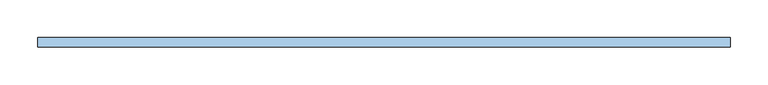
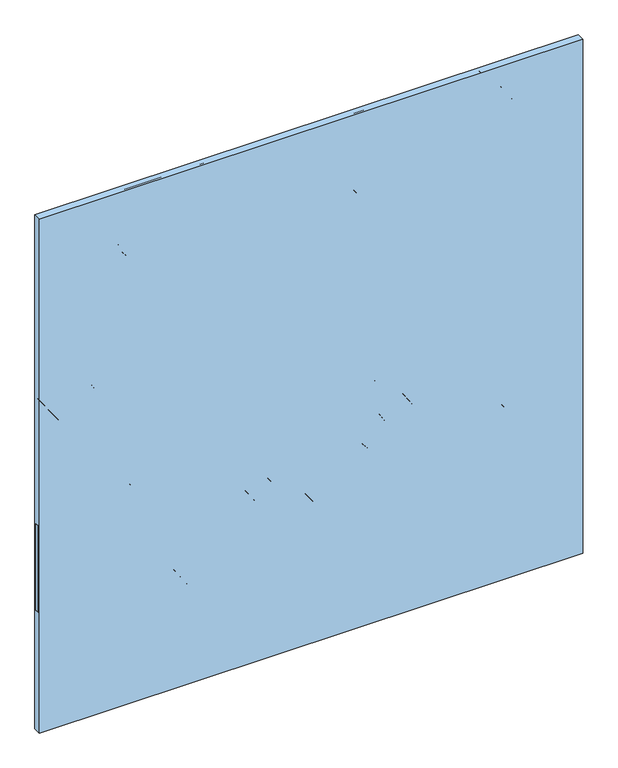
"""IFC4 building model written with IfcOpenShell, lengths in millimetres: window geometry."""

from ifc_helpers import new_model, si_unit, point, frame, frame_2d, origin, place, context, project, spatial, polyline, circle_curve, trimmed, segment, composite_curve, outline, extrude, source, transform, mapped, element, save


def window_6d9c36dc(model_context):
    return source(origin(), model_context, "Body", "SweptSolid", [
        extrude(outline(composite_curve([segment(trimmed(circle_curve(frame_2d((1484.8832078, 363.7433192)), 263.7462614), [point((1238.25, 457.2))], [point((1224.7588268, 320.1842008))], True, "CARTESIAN"), True, "CONTINUOUS"), segment(trimmed(circle_curve(frame_2d((1211.915632, 314.465595)), 14.0588088), [point((1224.7588268, 320.1842008))], [point((1210.4464925, 328.4474309))], True, "CARTESIAN"), True, "CONTINUOUS"), segment(trimmed(circle_curve(frame_2d((1201.9986616, 285.3249368)), 43.9421818), [point((1210.4464925, 328.4474309))], [point((1171.5497284, 317.0073894))], True, "CARTESIAN"), True, "CONTINUOUS"), segment(trimmed(circle_curve(frame_2d((1086.790703, 405.2000952)), 122.3194413), [point((1171.5497284, 317.0073894))], [point((1153.2818138, 302.5308305))], False, "CARTESIAN"), True, "CONTINUOUS"), segment(trimmed(circle_curve(frame_2d((1143.1804408, 143.4346406)), 159.4165468), [point((1153.2818138, 302.5308305))], [point((1133.0790678, 302.5308305))], True, "CARTESIAN"), True, "CONTINUOUS"), segment(trimmed(circle_curve(frame_2d((1138.2603741, 220.9254794)), 81.769672), [point((1133.0790678, 302.5308305))], [point((1078.4356251, 276.6684491))], True, "CARTESIAN"), True, "CONTINUOUS"), segment(trimmed(circle_curve(frame_2d((1190.3884903, 172.3540094)), 153.0194313), [point((1078.4356251, 276.6684491))], [point((1054.0748461, 241.8776511))], True, "CARTESIAN"), True, "CONTINUOUS"), segment(trimmed(circle_curve(frame_2d((993.7187033, 272.6609148)), 67.7530316), [point((1054.0748461, 241.8776511))], [point((1043.8427002, 227.0751908))], False, "CARTESIAN"), True, "CONTINUOUS"), segment(trimmed(circle_curve(frame_2d((1089.1365017, 185.8823319)), 61.2240155), [point((1043.8427002, 227.0751908))], [point((1027.9132449, 185.5775409))], True, "CARTESIAN"), True, "CONTINUOUS"), segment(trimmed(circle_curve(frame_2d((1217.2221282, 186.5199876)), 189.3112292), [point((1027.9132449, 185.5775409))], [point((1038.89534, 122.9723824))], True, "CARTESIAN"), True, "CONTINUOUS"), segment(trimmed(circle_curve(frame_2d((1124.9346843, 125.7111518)), 86.082923), [point((1038.89534, 122.9723824))], [point((1052.2830923, 79.5373951))], True, "CARTESIAN"), True, "CONTINUOUS"), segment(trimmed(circle_curve(frame_2d((989.9463817, -11.5882161)), 110.4071669), [point((1052.2830923, 79.5373951))], [point((1078.3057836, 54.6111692))], False, "CARTESIAN"), True, "CONTINUOUS"), segment(trimmed(circle_curve(frame_2d((1085.5048333, -0.4131091)), 55.4932204), [point((1078.3057836, 54.6111692))], [point((1044.2177019, 36.6661344))], True, "CARTESIAN"), True, "CONTINUOUS"), segment(trimmed(circle_curve(frame_2d((1066.354882, -34.7968136)), 74.8131518), [point((1044.2177019, 36.6661344))], [point((1095.6472928, 34.043308))], False, "CARTESIAN"), True, "CONTINUOUS"), segment(trimmed(circle_curve(frame_2d((1042.6205841, 86.3712095)), 74.4985981), [point((1095.6472928, 34.043308))], [point((1043.4266793, 11.8769727))], False, "CARTESIAN"), True, "CONTINUOUS"), segment(trimmed(circle_curve(frame_2d((1062.589159, 98.3925028)), 88.6122879), [point((1043.4266793, 11.8769727))], [point((1091.7414894, 14.7128804))], True, "CARTESIAN"), True, "CONTINUOUS"), segment(trimmed(circle_curve(frame_2d((1027.3273754, 50.0110443)), 73.4516063), [point((1091.7414894, 14.7128804))], [point((1052.1729973, -19.1108302))], False, "CARTESIAN"), True, "CONTINUOUS"), segment(trimmed(circle_curve(frame_2d((1061.6951975, 24.0872485)), 44.2351251), [point((1052.1729973, -19.1108302))], [point((1089.8648963, -10.0186801))], True, "CARTESIAN"), True, "CONTINUOUS"), segment(trimmed(circle_curve(frame_2d((1034.5514069, 11.2908127)), 59.2762735), [point((1089.8648963, -10.0186801))], [point((1069.0976688, -36.8779779))], False, "CARTESIAN"), True, "CONTINUOUS"), segment(trimmed(circle_curve(frame_2d((1069.0976688, 0.0)), 36.8779779), [point((1069.0976688, -36.8779779))], [point((1095.1743371, -26.0766682))], True, "CARTESIAN"), True, "CONTINUOUS"), segment(trimmed(circle_curve(frame_2d((921.7101496, -24.0268789)), 173.476298), [point((1095.1743371, -26.0766682))], [point((1032.8672873, -157.2114002))], False, "CARTESIAN"), True, "CONTINUOUS"), segment(trimmed(circle_curve(frame_2d((1803.7008455, 546.8948017)), 1044.0066657), [point((1032.8672873, -157.2114002))], [point((914.4, 0.0))], False, "CARTESIAN"), True, "CONTINUOUS"), segment(polyline([(914.4, 0.0), (914.4, 457.2), (1238.25, 457.2)]), True, "CONTINUOUS")], self_intersect=False)), frame((0.0, -3.175, 0.0), z_axis=(0.0, 1.0, 0.0), x_axis=(0.0, 0.0, 1.0)), (0.0, 0.0, 1.0), 6.35),
        extrude(outline(composite_curve([segment(trimmed(circle_curve(frame_2d((454.3259512, -616.3545319)), 691.6622575), [point((1127.428108, -457.2))], [point((1049.07315, -263.2646737))], True, "CARTESIAN"), True, "CONTINUOUS"), segment(trimmed(circle_curve(frame_2d((1329.2202764, 72.1840348)), 437.0449044), [point((1049.07315, -263.2646737))], [point((1198.3422953, -344.8042174))], True, "CARTESIAN"), True, "CONTINUOUS"), segment(trimmed(circle_curve(frame_2d((1323.3014016, -285.1666907)), 138.4608712), [point((1198.3422953, -344.8042174))], [point((1228.8853489, -386.4436468))], True, "CARTESIAN"), True, "CONTINUOUS"), segment(trimmed(circle_curve(frame_2d((1157.3988234, -463.1248627)), 104.8347852), [point((1228.8853489, -386.4436468))], [point((1253.9705646, -422.3298752))], False, "CARTESIAN"), True, "CONTINUOUS"), segment(trimmed(circle_curve(frame_2d((1301.7129506, -402.1619666)), 51.8274055), [point((1253.9705646, -422.3298752))], [point((1277.709756, -448.0959041))], True, "CARTESIAN"), True, "CONTINUOUS"), segment(trimmed(circle_curve(frame_2d((1243.4546081, -465.9476844)), 38.627726), [point((1277.709756, -448.0959041))], [point((1281.0787923, -457.2))], False, "CARTESIAN"), True, "CONTINUOUS"), segment(polyline([(1281.0787923, -457.2), (1127.428108, -457.2)]), True, "CONTINUOUS")], self_intersect=False)), frame((0.0, -3.175, 0.0), z_axis=(0.0, 1.0, 0.0), x_axis=(0.0, 0.0, 1.0)), (0.0, 0.0, 1.0), 6.35),
        extrude(outline(composite_curve([segment(trimmed(circle_curve(frame_2d((1281.9382425, -439.3744842)), 74.9418646), [point((1288.5558303, -364.7253677))], [point((1228.8853489, -386.4436468))], True, "CARTESIAN"), True, "CONTINUOUS"), segment(trimmed(circle_curve(frame_2d((1301.7321478, -300.988014)), 112.2912343), [point((1228.8853489, -386.4436468))], [point((1192.6874968, -327.794457))], False, "CARTESIAN"), True, "CONTINUOUS"), segment(trimmed(circle_curve(frame_2d((1241.9195353, -191.0845482)), 145.304483), [point((1192.6874968, -327.794457))], [point((1264.0203098, -334.6984352))], True, "CARTESIAN"), True, "CONTINUOUS"), segment(trimmed(circle_curve(frame_2d((1290.5013363, -300.1993924)), 43.4905589), [point((1264.0203098, -334.6984352))], [point((1283.0049399, -343.0390091))], True, "CARTESIAN"), True, "CONTINUOUS"), segment(trimmed(circle_curve(frame_2d((1661.5485833, -257.6996926)), 388.0439265), [point((1283.0049399, -343.0390091))], [point((1288.5558303, -364.7253677))], True, "CARTESIAN"), True, "CONTINUOUS")], self_intersect=False)), frame((0.0, -3.175, 0.0), z_axis=(0.0, 1.0, 0.0), x_axis=(0.0, 0.0, 1.0)), (0.0, 0.0, 1.0), 6.35),
        extrude(outline(composite_curve([segment(trimmed(circle_curve(frame_2d((1252.2010078, -288.8483467)), 72.5739322), [point((1190.4427096, -326.9651178))], [point((1179.627611, -289.1271317))], False, "CARTESIAN"), True, "CONTINUOUS"), segment(trimmed(circle_curve(frame_2d((1270.1294103, -70.5090154)), 236.6103473), [point((1179.627611, -289.1271317))], [point((1247.0392796, -305.9900174))], True, "CARTESIAN"), True, "CONTINUOUS"), segment(trimmed(circle_curve(frame_2d((1291.7450325, -298.9229117)), 45.2608919), [point((1247.0392796, -305.9900174))], [point((1264.0203098, -334.6984352))], True, "CARTESIAN"), True, "CONTINUOUS"), segment(trimmed(circle_curve(frame_2d((1241.9195353, -191.0845482)), 145.304483), [point((1264.0203098, -334.6984352))], [point((1190.4427096, -326.9651178))], False, "CARTESIAN"), True, "CONTINUOUS")], self_intersect=False)), frame((0.0, -3.175, 0.0), z_axis=(0.0, 1.0, 0.0), x_axis=(0.0, 0.0, 1.0)), (0.0, 0.0, 1.0), 6.35),
        extrude(outline(composite_curve([segment(trimmed(circle_curve(frame_2d((1115.6860052, -278.5483296)), 64.8108017), [point((1179.627611, -289.1271317))], [point((1179.627611, -267.9695275))], True, "CARTESIAN"), True, "CONTINUOUS"), segment(trimmed(circle_curve(frame_2d((1124.3036551, -692.5716903)), 428.1912386), [point((1179.627611, -267.9695275))], [point((1245.2954747, -281.8300241))], False, "CARTESIAN"), True, "CONTINUOUS"), segment(trimmed(circle_curve(frame_2d((1189.99928, -296.059405)), 57.0976745), [point((1245.2954747, -281.8300241))], [point((1247.0392796, -298.6251174))], False, "CARTESIAN"), True, "CONTINUOUS"), segment(trimmed(circle_curve(frame_2d((1328.9061919, -302.3075674)), 81.9496905), [point((1247.0392796, -298.6251174))], [point((1247.0392796, -305.9900174))], True, "CARTESIAN"), True, "CONTINUOUS"), segment(trimmed(circle_curve(frame_2d((1270.1294103, -70.5090154)), 236.6103473), [point((1247.0392796, -305.9900174))], [point((1179.627611, -289.1271317))], False, "CARTESIAN"), True, "CONTINUOUS")], self_intersect=False)), frame((0.0, -3.175, 0.0), z_axis=(0.0, 1.0, 0.0), x_axis=(0.0, 0.0, 1.0)), (0.0, 0.0, 1.0), 6.35),
        extrude(outline(composite_curve([segment(trimmed(circle_curve(frame_2d((1329.648799, -224.5536484)), 155.3136004), [point((1180.562611, -268.0924015))], [point((1174.3545231, -222.1036757))], False, "CARTESIAN"), True, "CONTINUOUS"), segment(trimmed(circle_curve(frame_2d((1220.0844477, -159.403544)), 77.6049773), [point((1174.3545231, -222.1036757))], [point((1222.9348047, -236.9561583))], True, "CARTESIAN"), True, "CONTINUOUS"), segment(trimmed(circle_curve(frame_2d((1408.0905433, -158.7796802)), 200.9831069), [point((1222.9348047, -236.9561583))], [point((1229.1880721, -250.3663334))], True, "CARTESIAN"), True, "CONTINUOUS"), segment(trimmed(circle_curve(frame_2d((1183.3626233, -293.6808666)), 63.0564869), [point((1229.1880721, -250.3663334))], [point((1245.2954747, -281.8300241))], False, "CARTESIAN"), True, "CONTINUOUS"), segment(trimmed(circle_curve(frame_2d((1124.3036551, -692.5716903)), 428.1912386), [point((1245.2954747, -281.8300241))], [point((1180.562611, -268.0924015))], True, "CARTESIAN"), True, "CONTINUOUS")], self_intersect=False)), frame((0.0, -3.175, 0.0), z_axis=(0.0, 1.0, 0.0), x_axis=(0.0, 0.0, 1.0)), (0.0, 0.0, 1.0), 6.35),
        extrude(outline(composite_curve([segment(trimmed(circle_curve(frame_2d((1322.9249915, -225.1533598)), 148.6017653), [point((1174.3545231, -222.1036757))], [point((1180.0979299, -184.1300113))], False, "CARTESIAN"), True, "CONTINUOUS"), segment(trimmed(circle_curve(frame_2d((1239.2112451, -80.7949435)), 119.0483946), [point((1180.0979299, -184.1300113))], [point((1217.4660636, -197.8405216))], True, "CARTESIAN"), True, "CONTINUOUS"), segment(trimmed(circle_curve(frame_2d((1306.0643448, -205.3937417)), 88.9196635), [point((1217.4660636, -197.8405216))], [point((1222.9348047, -236.9561583))], True, "CARTESIAN"), True, "CONTINUOUS"), segment(trimmed(circle_curve(frame_2d((1220.0844477, -159.403544)), 77.6049773), [point((1222.9348047, -236.9561583))], [point((1174.3545231, -222.1036757))], False, "CARTESIAN"), True, "CONTINUOUS")], self_intersect=False)), frame((0.0, -3.175, 0.0), z_axis=(0.0, 1.0, 0.0), x_axis=(0.0, 0.0, 1.0)), (0.0, 0.0, 1.0), 6.35),
        extrude(outline(composite_curve([segment(trimmed(circle_curve(frame_2d((1306.0643448, -205.3937417)), 88.9196635), [point((1228.0858671, -162.6612766))], [point((1217.4660636, -197.8405216))], True, "CARTESIAN"), True, "CONTINUOUS"), segment(trimmed(circle_curve(frame_2d((1236.5935678, -92.2993358)), 107.2604462), [point((1217.4660636, -197.8405216))], [point((1180.1872359, -183.5305204))], False, "CARTESIAN"), True, "CONTINUOUS"), segment(trimmed(circle_curve(frame_2d((1045.5562641, -163.7809739)), 136.0718309), [point((1180.1872359, -183.5305204))], [point((1178.2226654, -133.5292114))], True, "CARTESIAN"), True, "CONTINUOUS"), segment(trimmed(circle_curve(frame_2d((1224.4368781, -77.8984148)), 72.3224653), [point((1178.2226654, -133.5292114))], [point((1228.0858671, -150.1287676))], True, "CARTESIAN"), True, "CONTINUOUS"), segment(trimmed(circle_curve(frame_2d((1445.2502557, -156.3950221)), 217.2547759), [point((1228.0858671, -150.1287676))], [point((1228.0858671, -162.6612766))], True, "CARTESIAN"), True, "CONTINUOUS")], self_intersect=False)), frame((0.0, -3.175, 0.0), z_axis=(0.0, 1.0, 0.0), x_axis=(0.0, 0.0, 1.0)), (0.0, 0.0, 1.0), 6.35),
        extrude(outline(composite_curve([segment(trimmed(circle_curve(frame_2d((1302.0645014, -94.5231621)), 129.8394095), [point((1178.2226654, -133.5292114))], [point((1174.8561905, -68.5170499))], False, "CARTESIAN"), True, "CONTINUOUS"), segment(trimmed(circle_curve(frame_2d((1310.4150309, 38.984855)), 173.0111521), [point((1174.8561905, -68.5170499))], [point((1228.0858671, -113.1820519))], True, "CARTESIAN"), True, "CONTINUOUS"), segment(trimmed(circle_curve(frame_2d((1142.4471588, -131.6554098)), 87.608523), [point((1228.0858671, -113.1820519))], [point((1228.0858671, -150.1287676))], False, "CARTESIAN"), True, "CONTINUOUS"), segment(trimmed(circle_curve(frame_2d((1224.4368781, -77.8984148)), 72.3224653), [point((1228.0858671, -150.1287676))], [point((1178.2226654, -133.5292114))], False, "CARTESIAN"), True, "CONTINUOUS")], self_intersect=False)), frame((0.0, -3.175, 0.0), z_axis=(0.0, 1.0, 0.0), x_axis=(0.0, 0.0, 1.0)), (0.0, 0.0, 1.0), 6.35),
        extrude(outline(composite_curve([segment(trimmed(circle_curve(frame_2d((1378.1236893, -89.3769254)), 204.3350447), [point((1174.8561905, -68.5170499))], [point((1186.283704, -19.0190506))], False, "CARTESIAN"), True, "CONTINUOUS"), segment(trimmed(circle_curve(frame_2d((1278.7930398, 15.1186203)), 98.6070878), [point((1186.283704, -19.0190506))], [point((1232.774937, -72.0919983))], True, "CARTESIAN"), True, "CONTINUOUS"), segment(trimmed(circle_curve(frame_2d((1281.8271066, -98.5022582)), 55.7101174), [point((1232.774937, -72.0919983))], [point((1228.0858671, -113.1820519))], True, "CARTESIAN"), True, "CONTINUOUS"), segment(trimmed(circle_curve(frame_2d((1310.4150309, 38.984855)), 173.0111521), [point((1228.0858671, -113.1820519))], [point((1174.8561905, -68.5170499))], False, "CARTESIAN"), True, "CONTINUOUS")], self_intersect=False)), frame((0.0, -3.175, 0.0), z_axis=(0.0, 1.0, 0.0), x_axis=(0.0, 0.0, 1.0)), (0.0, 0.0, 1.0), 6.35),
        extrude(outline(composite_curve([segment(trimmed(circle_curve(frame_2d((1354.1557862, 256.0910828)), 113.7533084), [point((1240.471658, 252.1244517))], [point((1278.0424214, 171.5536895))], True, "CARTESIAN"), True, "CONTINUOUS"), segment(trimmed(circle_curve(frame_2d((1186.8292865, -803.6122356)), 979.4224918), [point((1278.0424214, 171.5536895))], [point((1207.655697, 175.5888051))], True, "CARTESIAN"), True, "CONTINUOUS"), segment(trimmed(circle_curve(frame_2d((1289.4326113, 268.7018377)), 123.925383), [point((1207.655697, 175.5888051))], [point((1169.8945322, 236.0193009))], False, "CARTESIAN"), True, "CONTINUOUS"), segment(trimmed(circle_curve(frame_2d((2664.73737, 644.7196612)), 1549.7067768), [point((1169.8945322, 236.0193009))], [point((1152.9962878, 303.7944574))], False, "CARTESIAN"), True, "CONTINUOUS"), segment(trimmed(circle_curve(frame_2d((1110.2763048, 385.2359952)), 91.9658688), [point((1152.9962878, 303.7944574))], [point((1173.6447185, 318.5864252))], True, "CARTESIAN"), True, "CONTINUOUS"), segment(trimmed(circle_curve(frame_2d((1205.1513469, 274.6056351)), 54.1015484), [point((1173.6447185, 318.5864252))], [point((1210.4464925, 328.4474309))], False, "CARTESIAN"), True, "CONTINUOUS"), segment(trimmed(circle_curve(frame_2d((1211.915632, 314.465595)), 14.0588088), [point((1210.4464925, 328.4474309))], [point((1224.7588268, 320.1842008))], False, "CARTESIAN"), True, "CONTINUOUS"), segment(trimmed(circle_curve(frame_2d((1057.5738599, 245.7428389)), 183.0090969), [point((1224.7588268, 320.1842008))], [point((1240.471658, 252.1244517))], False, "CARTESIAN"), True, "CONTINUOUS")], self_intersect=False)), frame((0.0, -3.175, 0.0), z_axis=(0.0, 1.0, 0.0), x_axis=(0.0, 0.0, 1.0)), (0.0, 0.0, 1.0), 6.35),
        extrude(outline(composite_curve([segment(trimmed(circle_curve(frame_2d((1290.5013363, -300.1993924)), 43.4905589), [point((1283.0049399, -343.0390091))], [point((1247.0392796, -298.6251174))], False, "CARTESIAN"), True, "CONTINUOUS"), segment(trimmed(circle_curve(frame_2d((1179.4964215, -296.1785918)), 67.5871523), [point((1247.0392796, -298.6251174))], [point((1229.6646563, -250.8887322))], True, "CARTESIAN"), True, "CONTINUOUS"), segment(trimmed(circle_curve(frame_2d((1306.0643448, -205.3937417)), 88.9196635), [point((1229.6646563, -250.8887322))], [point((1227.1540258, -164.4075474))], False, "CARTESIAN"), True, "CONTINUOUS"), segment(trimmed(circle_curve(frame_2d((1362.8998983, -143.6697877)), 137.3207798), [point((1227.1540258, -164.4075474))], [point((1240.8898312, -206.6820096))], True, "CARTESIAN"), True, "CONTINUOUS"), segment(trimmed(circle_curve(frame_2d((1287.9058125, -182.4005588)), 52.9158894), [point((1240.8898312, -206.6820096))], [point((1283.0049399, -235.0890091))], True, "CARTESIAN"), True, "CONTINUOUS"), segment(trimmed(circle_curve(frame_2d((1493.8758299, -289.0640091)), 217.6690903), [point((1283.0049399, -235.0890091))], [point((1283.0049399, -343.0390091))], True, "CARTESIAN"), True, "CONTINUOUS")], self_intersect=False)), frame((0.0, -3.175, 0.0), z_axis=(0.0, 1.0, 0.0), x_axis=(0.0, 0.0, 1.0)), (0.0, 0.0, 1.0), 6.35),
        extrude(outline(composite_curve([segment(trimmed(circle_curve(frame_2d((1151.8107712, -31.740206)), 36.7452159), [point((1186.283704, -19.0190506))], [point((1170.3248257, 0.0))], True, "CARTESIAN"), True, "CONTINUOUS"), segment(trimmed(circle_curve(frame_2d((1191.0128208, 35.4671761)), 41.0598798), [point((1170.3248257, 0.0))], [point((1151.2171987, 25.3566774))], False, "CARTESIAN"), True, "CONTINUOUS"), segment(trimmed(circle_curve(frame_2d((1085.4297476, 19.8174723)), 66.0202356), [point((1151.2171987, 25.3566774))], [point((1124.9892977, 72.6730634))], True, "CARTESIAN"), True, "CONTINUOUS"), segment(trimmed(circle_curve(frame_2d((1135.158691, 86.2604095)), 16.9715213), [point((1124.9892977, 72.6730634))], [point((1118.320518, 88.3837238))], False, "CARTESIAN"), True, "CONTINUOUS"), segment(trimmed(circle_curve(frame_2d((1048.4084483, 111.072559)), 73.5015696), [point((1118.320518, 88.3837238))], [point((1121.674188, 116.9557655))], True, "CARTESIAN"), True, "CONTINUOUS"), segment(trimmed(circle_curve(frame_2d((1142.3473484, -1594.3897088)), 1711.4703363), [point((1121.674188, 116.9557655))], [point((1163.0205089, 116.9557655))], False, "CARTESIAN"), True, "CONTINUOUS"), segment(trimmed(circle_curve(frame_2d((1161.372199, -19.493018)), 136.458739), [point((1163.0205089, 116.9557655))], [point((1215.6096154, 105.7239542))], False, "CARTESIAN"), True, "CONTINUOUS"), segment(trimmed(circle_curve(frame_2d((1113.3199647, -37.646668)), 176.120152), [point((1215.6096154, 105.7239542))], [point((1266.5973676, 49.0963185))], False, "CARTESIAN"), True, "CONTINUOUS"), segment(trimmed(circle_curve(frame_2d((1279.3318564, -5.071811)), 55.6448871), [point((1266.5973676, 49.0963185))], [point((1224.4073647, 3.8530794))], True, "CARTESIAN"), True, "CONTINUOUS"), segment(trimmed(circle_curve(frame_2d((1329.1998278, -13.1750482)), 106.166932), [point((1224.4073647, 3.8530794))], [point((1244.6553688, -77.3907154))], True, "CARTESIAN"), True, "CONTINUOUS"), segment(trimmed(circle_curve(frame_2d((1278.7930398, 15.1186203)), 98.6070878), [point((1244.6553688, -77.3907154))], [point((1186.283704, -19.0190506))], False, "CARTESIAN"), True, "CONTINUOUS")], self_intersect=False)), frame((0.0, -3.175, 0.0), z_axis=(0.0, 1.0, 0.0), x_axis=(0.0, 0.0, 1.0)), (0.0, 0.0, 1.0), 6.35),
        extrude(outline(composite_curve([segment(trimmed(circle_curve(frame_2d((1161.113737, -20.7031779)), 137.6721485), [point((1215.6096154, 105.7239542))], [point((1162.751822, 116.959225))], True, "CARTESIAN"), True, "CONTINUOUS"), segment(trimmed(circle_curve(frame_2d((1142.3573464, -1596.9643097)), 1714.0448703), [point((1162.751822, 116.959225))], [point((1121.9628707, 116.959225))], True, "CARTESIAN"), True, "CONTINUOUS"), segment(trimmed(circle_curve(frame_2d((1162.122996, 140.6737385)), 46.6391875), [point((1121.9628707, 116.959225))], [point((1116.2042341, 148.8395894))], False, "CARTESIAN"), True, "CONTINUOUS"), segment(trimmed(circle_curve(frame_2d((1123.8617034, 148.8395894)), 7.6574694), [point((1116.2042341, 148.8395894))], [point((1123.8617034, 141.18212))], True, "CARTESIAN"), True, "CONTINUOUS"), segment(trimmed(circle_curve(frame_2d((1175.4963224, -78.8616153)), 226.0207498), [point((1123.8617034, 141.18212))], [point((1179.042079, 147.1313203))], False, "CARTESIAN"), True, "CONTINUOUS"), segment(trimmed(circle_curve(frame_2d((1186.4464858, -6.548697)), 153.8582886), [point((1179.042079, 147.1313203))], [point((1278.5217924, 116.7173197))], False, "CARTESIAN"), True, "CONTINUOUS"), segment(trimmed(circle_curve(frame_2d((1199.611927, 11.076566)), 131.8587718), [point((1278.5217924, 116.7173197))], [point((1325.8705272, 49.0963185))], False, "CARTESIAN"), True, "CONTINUOUS"), segment(trimmed(circle_curve(frame_2d((1296.2339474, -76.9674852)), 129.5006156), [point((1325.8705272, 49.0963185))], [point((1266.5973676, 49.0963185))], True, "CARTESIAN"), True, "CONTINUOUS"), segment(trimmed(circle_curve(frame_2d((1113.3199647, -37.646668)), 176.120152), [point((1266.5973676, 49.0963185))], [point((1215.6096154, 105.7239542))], True, "CARTESIAN"), True, "CONTINUOUS")], self_intersect=False)), frame((0.0, -3.175, 0.0), z_axis=(0.0, 1.0, 0.0), x_axis=(0.0, 0.0, 1.0)), (0.0, 0.0, 1.0), 6.35),
        extrude(outline(composite_curve([segment(trimmed(circle_curve(frame_2d((1375.9161461, 155.9586632)), 59.2464278), [point((1319.4499121, 138.0225646))], [point((1332.1499121, 116.0255194))], True, "CARTESIAN"), True, "CONTINUOUS"), segment(trimmed(circle_curve(frame_2d((1282.1206967, 32.2372319)), 97.5879066), [point((1332.1499121, 116.0255194))], [point((1361.8994321, 88.4400156))], False, "CARTESIAN"), True, "CONTINUOUS"), segment(trimmed(circle_curve(frame_2d((1250.3943743, 23.7046094)), 128.9342884), [point((1361.8994321, 88.4400156))], [point((1378.6068162, 10.0803491))], False, "CARTESIAN"), True, "CONTINUOUS"), segment(trimmed(circle_curve(frame_2d((1335.0454518, 0.7924529)), 44.5405151), [point((1378.6068162, 10.0803491))], [point((1364.3694665, 34.3179603))], True, "CARTESIAN"), True, "CONTINUOUS"), segment(trimmed(circle_curve(frame_2d((1287.3953328, -108.6707519)), 162.3908528), [point((1364.3694665, 34.3179603))], [point((1325.8705272, 49.0963185))], True, "CARTESIAN"), True, "CONTINUOUS"), segment(trimmed(circle_curve(frame_2d((1199.611927, 11.076566)), 131.8587718), [point((1325.8705272, 49.0963185))], [point((1278.5217924, 116.7173197))], True, "CARTESIAN"), True, "CONTINUOUS"), segment(trimmed(circle_curve(frame_2d((1186.4464858, -6.548697)), 153.8582886), [point((1278.5217924, 116.7173197))], [point((1179.042079, 147.1313203))], True, "CARTESIAN"), True, "CONTINUOUS"), segment(trimmed(circle_curve(frame_2d((1175.4963224, -78.8616153)), 226.0207498), [point((1179.042079, 147.1313203))], [point((1125.0414759, 141.4556282))], True, "CARTESIAN"), True, "CONTINUOUS"), segment(trimmed(circle_curve(frame_2d((1125.0414759, 150.4358843)), 8.9802561), [point((1125.0414759, 141.4556282))], [point((1116.0612197, 150.4358843))], False, "CARTESIAN"), True, "CONTINUOUS"), segment(trimmed(circle_curve(frame_2d((1140.525829, 145.1684371)), 25.0252494), [point((1116.0612197, 150.4358843))], [point((1128.7190736, 167.2334237))], False, "CARTESIAN"), True, "CONTINUOUS"), segment(trimmed(circle_curve(frame_2d((1195.0456592, -86.3758635)), 262.1390595), [point((1128.7190736, 167.2334237))], [point((1198.0484222, 175.7459973))], False, "CARTESIAN"), True, "CONTINUOUS"), segment(trimmed(circle_curve(frame_2d((1186.8292865, -803.6122356)), 979.4224918), [point((1198.0484222, 175.7459973))], [point((1278.0424214, 171.5536895))], False, "CARTESIAN"), True, "CONTINUOUS"), segment(trimmed(circle_curve(frame_2d((1210.1509178, 45.382106)), 143.2777888), [point((1278.0424214, 171.5536895))], [point((1319.4499121, 138.0225646))], False, "CARTESIAN"), True, "CONTINUOUS")], self_intersect=False)), frame((0.0, -3.175, 0.0), z_axis=(0.0, 1.0, 0.0), x_axis=(0.0, 0.0, 1.0)), (0.0, 0.0, 1.0), 6.35),
        extrude(outline(polyline([(457.2, -6.35), (-457.2, -6.35), (-457.2, 6.35), (457.2, 6.35), (457.2, -6.35)])), frame((0.0, 0.0, 914.4), z_axis=(0.0, 0.0, 1.0), x_axis=(1.0, 0.0, 0.0)), (0.0, 0.0, 1.0), 914.4),
        extrude(outline(composite_curve([segment(trimmed(circle_curve(frame_2d((2019.6908723, -150.8213268)), 291.7792995), [point((1828.8, 69.85))], [point((1758.4066018, -20.953357))], True, "CARTESIAN"), True, "CONTINUOUS"), segment(polyline([(1758.4066018, -20.953357), (1733.48242, 3.9708247)]), True, "CONTINUOUS"), segment(trimmed(circle_curve(frame_2d((2093.5135406, -161.246014)), 396.1300438), [point((1733.48242, 3.9708247))], [point((1751.3283975, 38.3243731))], False, "CARTESIAN"), True, "CONTINUOUS"), segment(trimmed(circle_curve(frame_2d((1912.5528718, -45.4284987)), 181.6806942), [point((1751.3283975, 38.3243731))], [point((1828.8, 115.7959756))], False, "CARTESIAN"), True, "CONTINUOUS"), segment(polyline([(1828.8, 115.7959756), (1828.8, 69.85)]), True, "CONTINUOUS")], self_intersect=False)), frame((0.0, -3.175, 0.0), z_axis=(0.0, 1.0, 0.0), x_axis=(0.0, 0.0, 1.0)), (0.0, 0.0, 1.0), 6.35),
        extrude(outline(composite_curve([segment(polyline([(1828.8, -184.15), (1828.8, -311.15)]), True, "CONTINUOUS"), segment(trimmed(circle_curve(frame_2d((1770.6551841, -232.3498303)), 97.9300075), [point((1828.8, -311.15))], [point((1702.1093656, -302.2909278))], False, "CARTESIAN"), True, "CONTINUOUS"), segment(trimmed(circle_curve(frame_2d((1656.6245957, -348.7015594)), 64.9831595), [point((1702.1093656, -302.2909278))], [point((1626.9326219, -290.8984651))], True, "CARTESIAN"), True, "CONTINUOUS"), segment(trimmed(circle_curve(frame_2d((2208.5953659, -1147.9981707)), 1035.8336994), [point((1626.9326219, -290.8984651))], [point((1653.4053657, -273.5180299))], False, "CARTESIAN"), True, "CONTINUOUS"), segment(trimmed(circle_curve(frame_2d((2212.8742373, -1154.737824)), 1043.8169111), [point((1653.4053657, -273.5180299))], [point((1828.8, -184.15))], False, "CARTESIAN"), True, "CONTINUOUS")], self_intersect=False)), frame((0.0, -3.175, 0.0), z_axis=(0.0, 1.0, 0.0), x_axis=(0.0, 0.0, 1.0)), (0.0, 0.0, 1.0), 6.35),
        extrude(outline(composite_curve([segment(trimmed(circle_curve(frame_2d((1409.0813346, -363.5411489)), 113.7214068), [point((1344.5787923, -457.2))], [point((1315.4224835, -428.0436912))], False, "CARTESIAN"), True, "CONTINUOUS"), segment(trimmed(circle_curve(frame_2d((1423.1275044, -353.867598)), 130.7763905), [point((1315.4224835, -428.0436912))], [point((1299.9282282, -397.7356123))], False, "CARTESIAN"), True, "CONTINUOUS"), segment(trimmed(circle_curve(frame_2d((1411.5281755, -339.3795277)), 125.9364159), [point((1299.9282282, -397.7356123))], [point((1288.1611912, -364.6889729))], False, "CARTESIAN"), True, "CONTINUOUS"), segment(trimmed(circle_curve(frame_2d((1252.7205476, -751.1397143)), 388.0724349), [point((1288.1611912, -364.6889729))], [point((1506.0970641, -457.2))], False, "CARTESIAN"), True, "CONTINUOUS"), segment(polyline([(1506.0970641, -457.2), (1344.5787923, -457.2)]), True, "CONTINUOUS")], self_intersect=False)), frame((0.0, -3.175, 0.0), z_axis=(0.0, 1.0, 0.0), x_axis=(0.0, 0.0, 1.0)), (0.0, 0.0, 1.0), 6.35),
        extrude(outline(composite_curve([segment(trimmed(circle_curve(frame_2d((1544.1086418, -284.1767814)), 267.9464763), [point((1288.5558303, -364.7253677))], [point((1276.2067396, -289.0640091))], False, "CARTESIAN"), True, "CONTINUOUS"), segment(trimmed(circle_curve(frame_2d((1378.3792317, -136.139431)), 183.916135), [point((1276.2067396, -289.0640091))], [point((1317.6704637, -309.7470063))], True, "CARTESIAN"), True, "CONTINUOUS"), segment(trimmed(circle_curve(frame_2d((1275.3959004, -762.4059228)), 454.6286764), [point((1317.6704637, -309.7470063))], [point((1490.6024392, -361.939471))], False, "CARTESIAN"), True, "CONTINUOUS"), segment(trimmed(circle_curve(frame_2d((1331.841481, -657.369331)), 335.3861119), [point((1490.6024392, -361.939471))], [point((1600.9438462, -457.2))], False, "CARTESIAN"), True, "CONTINUOUS"), segment(polyline([(1600.9438462, -457.2), (1506.0970641, -457.2)]), True, "CONTINUOUS"), segment(trimmed(circle_curve(frame_2d((1252.7205476, -751.1397143)), 388.0724349), [point((1506.0970641, -457.2))], [point((1288.5558303, -364.7253677))], True, "CARTESIAN"), True, "CONTINUOUS")], self_intersect=False)), frame((0.0, -3.175, 0.0), z_axis=(0.0, 1.0, 0.0), x_axis=(0.0, 0.0, 1.0)), (0.0, 0.0, 1.0), 6.35),
        extrude(outline(composite_curve([segment(trimmed(circle_curve(frame_2d((1672.2410765, -322.7195002)), 397.8473352), [point((1276.2605665, -284.2235545))], [point((1314.3805158, -148.8853228))], False, "CARTESIAN"), True, "CONTINUOUS"), segment(trimmed(circle_curve(frame_2d((1314.9244353, -56.6476897)), 92.2392368), [point((1314.3805158, -148.8853228))], [point((1387.0909099, 0.7986047))], True, "CARTESIAN"), True, "CONTINUOUS"), segment(trimmed(circle_curve(frame_2d((1517.9696198, -51.009235)), 140.7596851), [point((1387.0909099, 0.7986047))], [point((1511.0136529, 89.5784724))], False, "CARTESIAN"), True, "CONTINUOUS"), segment(trimmed(circle_curve(frame_2d((1507.8231658, 154.06171)), 64.5621184), [point((1511.0136529, 89.5784724))], [point((1556.6723904, 111.8477267))], True, "CARTESIAN"), True, "CONTINUOUS"), segment(trimmed(circle_curve(frame_2d((1555.8875757, 143.5832899)), 31.7452658), [point((1556.6723904, 111.8477267))], [point((1574.3854529, 117.7842504))], True, "CARTESIAN"), True, "CONTINUOUS"), segment(trimmed(circle_curve(frame_2d((1793.3477438, 25.8748529)), 237.4696237), [point((1574.3854529, 117.7842504))], [point((1565.3635837, -40.5709512))], True, "CARTESIAN"), True, "CONTINUOUS"), segment(trimmed(circle_curve(frame_2d((1329.5821126, -109.2892754)), 245.5913479), [point((1565.3635837, -40.5709512))], [point((1486.6270118, -298.1066735))], False, "CARTESIAN"), True, "CONTINUOUS"), segment(trimmed(circle_curve(frame_2d((1164.544934, 3144.8335307)), 3457.972544), [point((1486.6270118, -298.1066735))], [point((1317.6704637, -309.7470063))], False, "CARTESIAN"), True, "CONTINUOUS"), segment(trimmed(circle_curve(frame_2d((1338.4997542, -229.5990748)), 82.8103271), [point((1317.6704637, -309.7470063))], [point((1276.2605665, -284.2235545))], False, "CARTESIAN"), True, "CONTINUOUS")], self_intersect=False)), frame((0.0, -3.175, 0.0), z_axis=(0.0, 1.0, 0.0), x_axis=(0.0, 0.0, 1.0)), (0.0, 0.0, 1.0), 6.35),
        extrude(outline(composite_curve([segment(trimmed(circle_curve(frame_2d((1365.7612921, -618.0796092)), 284.9439987), [point((1600.9438462, -457.2))], [point((1490.6024392, -361.939471))], True, "CARTESIAN"), True, "CONTINUOUS"), segment(trimmed(circle_curve(frame_2d((1389.451222, -60.2135841)), 318.229602), [point((1490.6024392, -361.939471))], [point((1540.2328662, -340.4545079))], True, "CARTESIAN"), True, "CONTINUOUS"), segment(trimmed(circle_curve(frame_2d((1608.4031908, -556.3309578)), 226.3842636), [point((1540.2328662, -340.4545079))], [point((1698.7653048, -348.7628409))], False, "CARTESIAN"), True, "CONTINUOUS"), segment(trimmed(circle_curve(frame_2d((1763.7826524, -199.413431)), 162.8880036), [point((1698.7653048, -348.7628409))], [point((1828.8, -348.7628409))], True, "CARTESIAN"), True, "CONTINUOUS"), segment(polyline([(1828.8, -348.7628409), (1828.8, -457.2), (1600.9438462, -457.2)]), True, "CONTINUOUS")], self_intersect=False)), frame((0.0, -3.175, 0.0), z_axis=(0.0, 1.0, 0.0), x_axis=(0.0, 0.0, 1.0)), (0.0, 0.0, 1.0), 6.35),
        extrude(outline(composite_curve([segment(trimmed(circle_curve(frame_2d((1770.6551841, -232.3498303)), 97.9300075), [point((1702.1093656, -302.2909278))], [point((1828.8, -311.15))], True, "CARTESIAN"), True, "CONTINUOUS"), segment(polyline([(1828.8, -311.15), (1828.8, -348.7628409)]), True, "CONTINUOUS"), segment(trimmed(circle_curve(frame_2d((1763.7826524, -199.413431)), 162.8880036), [point((1828.8, -348.7628409))], [point((1698.7653048, -348.7628409))], False, "CARTESIAN"), True, "CONTINUOUS"), segment(trimmed(circle_curve(frame_2d((1608.4031908, -556.3309578)), 226.3842636), [point((1698.7653048, -348.7628409))], [point((1540.2328662, -340.4545079))], True, "CARTESIAN"), True, "CONTINUOUS"), segment(trimmed(circle_curve(frame_2d((1195.8450608, 358.6588092)), 779.3345819), [point((1540.2328662, -340.4545079))], [point((1624.3395537, -292.3057522))], True, "CARTESIAN"), True, "CONTINUOUS"), segment(trimmed(circle_curve(frame_2d((1656.6245957, -348.7015594)), 64.9831595), [point((1624.3395537, -292.3057522))], [point((1702.1093656, -302.2909278))], False, "CARTESIAN"), True, "CONTINUOUS")], self_intersect=False)), frame((0.0, -3.175, 0.0), z_axis=(0.0, 1.0, 0.0), x_axis=(0.0, 0.0, 1.0)), (0.0, 0.0, 1.0), 6.35),
        extrude(outline(composite_curve([segment(trimmed(circle_curve(frame_2d((1116.9785244, 504.3016978)), 944.8583412), [point((1653.4053657, -273.5180299))], [point((1492.3441466, -362.7957214))], False, "CARTESIAN"), True, "CONTINUOUS"), segment(trimmed(circle_curve(frame_2d((1278.5768826, -757.9319451)), 449.2539131), [point((1492.3441466, -362.7957214))], [point((1322.313161, -310.8120323))], True, "CARTESIAN"), True, "CONTINUOUS"), segment(trimmed(circle_curve(frame_2d((646.7228724, 9495.2137042)), 9829.2707249), [point((1322.313161, -310.8120323))], [point((1486.6270118, -298.1066735))], True, "CARTESIAN"), True, "CONTINUOUS"), segment(trimmed(circle_curve(frame_2d((1497.8322378, -210.0702782)), 88.746628), [point((1486.6270118, -298.1066735))], [point((1523.864098, -294.9131108))], True, "CARTESIAN"), True, "CONTINUOUS"), segment(trimmed(circle_curve(frame_2d((1402.3134692, -10.3463186)), 309.4395169), [point((1523.864098, -294.9131108))], [point((1641.8132682, -206.286771))], True, "CARTESIAN"), True, "CONTINUOUS"), segment(trimmed(circle_curve(frame_2d((1584.5450715, -261.3354857)), 79.4355546), [point((1641.8132682, -206.286771))], [point((1663.9804151, -261.1523849))], False, "CARTESIAN"), True, "CONTINUOUS"), segment(trimmed(circle_curve(frame_2d((1460.137746, -97.5316539)), 261.3877912), [point((1663.9804151, -261.1523849))], [point((1653.4053657, -273.5180299))], False, "CARTESIAN"), True, "CONTINUOUS")], self_intersect=False)), frame((0.0, -3.175, 0.0), z_axis=(0.0, 1.0, 0.0), x_axis=(0.0, 0.0, 1.0)), (0.0, 0.0, 1.0), 6.35),
        extrude(outline(composite_curve([segment(polyline([(1733.3862811, 4.0669637), (1758.4066018, -20.953357)]), True, "CONTINUOUS"), segment(trimmed(circle_curve(frame_2d((2019.6908723, -150.8213268)), 291.7792995), [point((1758.4066018, -20.953357))], [point((1743.5790015, -56.4953261))], True, "CARTESIAN"), True, "CONTINUOUS"), segment(trimmed(circle_curve(frame_2d((1320.7463491, -9.9988039)), 425.3814506), [point((1743.5790015, -56.4953261))], [point((1695.3367407, -211.5711657))], False, "CARTESIAN"), True, "CONTINUOUS"), segment(trimmed(circle_curve(frame_2d((1460.137746, -97.5316539)), 261.3877912), [point((1695.3367407, -211.5711657))], [point((1663.9804151, -261.1523849))], False, "CARTESIAN"), True, "CONTINUOUS"), segment(trimmed(circle_curve(frame_2d((1584.5450715, -261.3354857)), 79.4355546), [point((1663.9804151, -261.1523849))], [point((1641.8132682, -206.286771))], True, "CARTESIAN"), True, "CONTINUOUS"), segment(trimmed(circle_curve(frame_2d((1402.3134692, -10.3463186)), 309.4395169), [point((1641.8132682, -206.286771))], [point((1706.569694, -66.7463563))], True, "CARTESIAN"), True, "CONTINUOUS"), segment(trimmed(circle_curve(frame_2d((2162.972932, -199.0992715)), 475.2064917), [point((1706.569694, -66.7463563))], [point((1733.3862811, 4.0669637))], False, "CARTESIAN"), True, "CONTINUOUS")], self_intersect=False)), frame((0.0, -3.175, 0.0), z_axis=(0.0, 1.0, 0.0), x_axis=(0.0, 0.0, 1.0)), (0.0, 0.0, 1.0), 6.35),
        extrude(outline(composite_curve([segment(trimmed(circle_curve(frame_2d((1460.137746, -97.5316539)), 261.3877912), [point((1653.4053657, -273.5180299))], [point((1696.8950454, -208.2996932))], True, "CARTESIAN"), True, "CONTINUOUS"), segment(trimmed(circle_curve(frame_2d((1929.7725051, -535.5173279)), 401.6258106), [point((1696.8950454, -208.2996932))], [point((1828.8, -146.7914027))], False, "CARTESIAN"), True, "CONTINUOUS"), segment(polyline([(1828.8, -146.7914027), (1828.8, -184.15)]), True, "CONTINUOUS"), segment(trimmed(circle_curve(frame_2d((2212.8742373, -1154.737824)), 1043.8169111), [point((1828.8, -184.15))], [point((1653.4053657, -273.5180299))], True, "CARTESIAN"), True, "CONTINUOUS")], self_intersect=False)), frame((0.0, -3.175, 0.0), z_axis=(0.0, 1.0, 0.0), x_axis=(0.0, 0.0, 1.0)), (0.0, 0.0, 1.0), 6.35),
        extrude(outline(composite_curve([segment(trimmed(circle_curve(frame_2d((2019.6908723, -150.8213268)), 291.7792995), [point((1743.5790015, -56.4953261))], [point((1828.8, 69.85))], False, "CARTESIAN"), True, "CONTINUOUS"), segment(polyline([(1828.8, 69.85), (1828.8, -146.7914027)]), True, "CONTINUOUS"), segment(trimmed(circle_curve(frame_2d((1929.7725051, -535.5173279)), 401.6258106), [point((1828.8, -146.7914027))], [point((1696.8950454, -208.2996932))], True, "CARTESIAN"), True, "CONTINUOUS"), segment(trimmed(circle_curve(frame_2d((1327.0359029, -11.4775111)), 418.9686822), [point((1696.8950454, -208.2996932))], [point((1743.5790015, -56.4953261))], True, "CARTESIAN"), True, "CONTINUOUS")], self_intersect=False)), frame((0.0, -3.175, 0.0), z_axis=(0.0, 1.0, 0.0), x_axis=(0.0, 0.0, 1.0)), (0.0, 0.0, 1.0), 6.35),
        extrude(outline(composite_curve([segment(trimmed(circle_curve(frame_2d((1498.1946691, -220.7216166)), 78.2448576), [point((1530.6444274, -291.9204292))], [point((1486.6270118, -298.1066735))], False, "CARTESIAN"), True, "CONTINUOUS"), segment(trimmed(circle_curve(frame_2d((1329.5821126, -109.2892754)), 245.5913479), [point((1486.6270118, -298.1066735))], [point((1565.3635837, -40.5709512))], True, "CARTESIAN"), True, "CONTINUOUS"), segment(trimmed(circle_curve(frame_2d((1793.3477438, 25.8748529)), 237.4696237), [point((1565.3635837, -40.5709512))], [point((1573.5579826, 115.7874939))], False, "CARTESIAN"), True, "CONTINUOUS"), segment(trimmed(circle_curve(frame_2d((1544.2572845, 203.2132545)), 92.2051762), [point((1573.5579826, 115.7874939))], [point((1623.7370352, 156.471798))], True, "CARTESIAN"), True, "CONTINUOUS"), segment(trimmed(circle_curve(frame_2d((1607.2908843, 349.9423418)), 194.168296), [point((1623.7370352, 156.471798))], [point((1659.3969169, 162.8961215))], True, "CARTESIAN"), True, "CONTINUOUS"), segment(trimmed(circle_curve(frame_2d((2062.8338237, 78.9908396)), 412.0696956), [point((1659.3969169, 162.8961215))], [point((1650.7680923, 80.798339))], True, "CARTESIAN"), True, "CONTINUOUS"), segment(trimmed(circle_curve(frame_2d((1665.1963839, 38.6463619)), 44.5529435), [point((1650.7680923, 80.798339))], [point((1673.7771054, -5.072467))], True, "CARTESIAN"), True, "CONTINUOUS"), segment(trimmed(circle_curve(frame_2d((1786.3509456, 15.2290966)), 114.3897853), [point((1673.7771054, -5.072467))], [point((1706.569694, -66.7463563))], True, "CARTESIAN"), True, "CONTINUOUS"), segment(trimmed(circle_curve(frame_2d((1402.3134692, -10.3463186)), 309.4395169), [point((1706.569694, -66.7463563))], [point((1530.6444274, -291.9204292))], False, "CARTESIAN"), True, "CONTINUOUS")], self_intersect=False)), frame((0.0, -3.175, 0.0), z_axis=(0.0, 1.0, 0.0), x_axis=(0.0, 0.0, 1.0)), (0.0, 0.0, 1.0), 6.35),
        extrude(outline(composite_curve([segment(trimmed(circle_curve(frame_2d((1665.1963839, 38.6463619)), 44.5529435), [point((1650.7680923, 80.798339))], [point((1673.7771054, -5.072467))], False, "CARTESIAN"), True, "CONTINUOUS"), segment(trimmed(circle_curve(frame_2d((1665.1963839, 38.6463619)), 44.5529435), [point((1673.7771054, -5.072467))], [point((1650.7680923, 80.798339))], False, "CARTESIAN"), True, "CONTINUOUS")], self_intersect=False)), frame((0.0, -3.175, 0.0), z_axis=(0.0, 1.0, 0.0), x_axis=(0.0, 0.0, 1.0)), (0.0, 0.0, 1.0), 6.35),
        extrude(outline(composite_curve([segment(trimmed(circle_curve(frame_2d((2062.8338237, 78.9908396)), 412.0696956), [point((1650.7680923, 80.798339))], [point((1659.3969169, 162.8961215))], False, "CARTESIAN"), True, "CONTINUOUS"), segment(trimmed(circle_curve(frame_2d((1593.5552739, 380.3971809)), 227.2483945), [point((1659.3969169, 162.8961215))], [point((1772.5685813, 240.4112223))], True, "CARTESIAN"), True, "CONTINUOUS"), segment(trimmed(circle_curve(frame_2d((2048.7042245, 109.2285555)), 305.7119323), [point((1772.5685813, 240.4112223))], [point((1751.3283975, 38.3243731))], True, "CARTESIAN"), True, "CONTINUOUS"), segment(trimmed(circle_curve(frame_2d((2162.972932, -199.0992715)), 475.2064917), [point((1751.3283975, 38.3243731))], [point((1706.569694, -66.7463563))], True, "CARTESIAN"), True, "CONTINUOUS"), segment(trimmed(circle_curve(frame_2d((1786.3509456, 15.2290966)), 114.3897853), [point((1706.569694, -66.7463563))], [point((1673.7771054, -5.072467))], False, "CARTESIAN"), True, "CONTINUOUS"), segment(trimmed(circle_curve(frame_2d((1665.1963839, 38.6463619)), 44.5529435), [point((1673.7771054, -5.072467))], [point((1650.7680923, 80.798339))], True, "CARTESIAN"), True, "CONTINUOUS")], self_intersect=False)), frame((0.0, -3.175, 0.0), z_axis=(0.0, 1.0, 0.0), x_axis=(0.0, 0.0, 1.0)), (0.0, 0.0, 1.0), 6.35),
        extrude(outline(composite_curve([segment(trimmed(circle_curve(frame_2d((2048.7042245, 109.2285555)), 305.7119323), [point((1751.3283975, 38.3243731))], [point((1772.5685813, 240.4112223))], False, "CARTESIAN"), True, "CONTINUOUS"), segment(trimmed(circle_curve(frame_2d((1581.9966838, 394.232478)), 244.9053426), [point((1772.5685813, 240.4112223))], [point((1804.8321711, 292.6304484))], True, "CARTESIAN"), True, "CONTINUOUS"), segment(trimmed(circle_curve(frame_2d((1808.7708505, 261.1648971)), 31.711104), [point((1804.8321711, 292.6304484))], [point((1828.8, 285.75))], False, "CARTESIAN"), True, "CONTINUOUS"), segment(polyline([(1828.8, 285.75), (1828.8, 115.7959756)]), True, "CONTINUOUS"), segment(trimmed(circle_curve(frame_2d((1912.5528718, -45.4284987)), 181.6806942), [point((1828.8, 115.7959756))], [point((1751.3283975, 38.3243731))], True, "CARTESIAN"), True, "CONTINUOUS")], self_intersect=False)), frame((0.0, -3.175, 0.0), z_axis=(0.0, 1.0, 0.0), x_axis=(0.0, 0.0, 1.0)), (0.0, 0.0, 1.0), 6.35),
        extrude(outline(composite_curve([segment(polyline([(1828.8, 457.2), (1828.8, 285.75)]), True, "CONTINUOUS"), segment(trimmed(circle_curve(frame_2d((1808.7708505, 261.1648971)), 31.711104), [point((1828.8, 285.75))], [point((1804.8321711, 292.6304484))], True, "CARTESIAN"), True, "CONTINUOUS"), segment(trimmed(circle_curve(frame_2d((1775.7558689, 295.5267583)), 29.2201978), [point((1804.8321711, 292.6304484))], [point((1782.9789088, 323.8401412))], True, "CARTESIAN"), True, "CONTINUOUS"), segment(trimmed(circle_curve(frame_2d((1722.3654753, 265.7388647)), 83.9627695), [point((1782.9789088, 323.8401412))], [point((1744.1689263, 346.8212684))], True, "CARTESIAN"), True, "CONTINUOUS"), segment(trimmed(circle_curve(frame_2d((1732.3547919, 302.8870114)), 45.4949746), [point((1744.1689263, 346.8212684))], [point((1720.5406574, 346.8212684))], True, "CARTESIAN"), True, "CONTINUOUS"), segment(trimmed(circle_curve(frame_2d((1524.2738252, 402.5611165)), 204.0284296), [point((1720.5406574, 346.8212684))], [point((1720.85, 457.2))], True, "CARTESIAN"), True, "CONTINUOUS"), segment(polyline([(1720.85, 457.2), (1828.8, 457.2)]), True, "CONTINUOUS")], self_intersect=False)), frame((0.0, -3.175, 0.0), z_axis=(0.0, 1.0, 0.0), x_axis=(0.0, 0.0, 1.0)), (0.0, 0.0, 1.0), 6.35),
        extrude(outline(composite_curve([segment(trimmed(circle_curve(frame_2d((1524.2738252, 402.5611165)), 204.0284296), [point((1720.85, 457.2))], [point((1720.85, 347.922233))], False, "CARTESIAN"), True, "CONTINUOUS"), segment(trimmed(circle_curve(frame_2d((1729.7782362, 289.5231341)), 59.0776452), [point((1720.85, 347.922233))], [point((1700.1515107, 340.635024))], True, "CARTESIAN"), True, "CONTINUOUS"), segment(trimmed(circle_curve(frame_2d((1524.785629, 643.1754332)), 349.6911374), [point((1700.1515107, 340.635024))], [point((1635.7083448, 311.5430422))], False, "CARTESIAN"), True, "CONTINUOUS"), segment(trimmed(circle_curve(frame_2d((1558.8069831, 541.4597213)), 242.4365871), [point((1635.7083448, 311.5430422))], [point((1573.3683889, 299.4608283))], False, "CARTESIAN"), True, "CONTINUOUS"), segment(trimmed(circle_curve(frame_2d((1626.9945769, 22.7686409)), 281.8409739), [point((1573.3683889, 299.4608283))], [point((1427.5937413, 221.9510733))], True, "CARTESIAN"), True, "CONTINUOUS"), segment(trimmed(circle_curve(frame_2d((1724.8987654, -280.1407143)), 583.5121597), [point((1427.5937413, 221.9510733))], [point((1375.4419786, 187.1561877))], True, "CARTESIAN"), True, "CONTINUOUS"), segment(trimmed(circle_curve(frame_2d((1089.2590987, 408.5547021)), 361.8258462), [point((1375.4419786, 187.1561877))], [point((1447.8, 457.2))], True, "CARTESIAN"), True, "CONTINUOUS"), segment(polyline([(1447.8, 457.2), (1720.85, 457.2)]), True, "CONTINUOUS")], self_intersect=False)), frame((0.0, -3.175, 0.0), z_axis=(0.0, 1.0, 0.0), x_axis=(0.0, 0.0, 1.0)), (0.0, 0.0, 1.0), 6.35),
        extrude(outline(composite_curve([segment(trimmed(circle_curve(frame_2d((1089.2590987, 408.5547021)), 361.8258462), [point((1447.8, 457.2))], [point((1375.4419786, 187.1561877))], False, "CARTESIAN"), True, "CONTINUOUS"), segment(trimmed(circle_curve(frame_2d((1637.2896316, -175.3306516)), 447.1698806), [point((1375.4419786, 187.1561877))], [point((1318.904299, 138.6624727))], True, "CARTESIAN"), True, "CONTINUOUS"), segment(trimmed(circle_curve(frame_2d((1210.1509178, 45.382106)), 143.2777888), [point((1318.904299, 138.6624727))], [point((1278.0424214, 171.5536895))], True, "CARTESIAN"), True, "CONTINUOUS"), segment(trimmed(circle_curve(frame_2d((1354.1557862, 256.0910828)), 113.7533084), [point((1278.0424214, 171.5536895))], [point((1240.471658, 252.1244517))], False, "CARTESIAN"), True, "CONTINUOUS"), segment(trimmed(circle_curve(frame_2d((1041.6686694, 245.1878799)), 198.9239662), [point((1240.471658, 252.1244517))], [point((1224.0597335, 324.5871498))], True, "CARTESIAN"), True, "CONTINUOUS"), segment(trimmed(circle_curve(frame_2d((1484.8832078, 363.7433192)), 263.7462614), [point((1224.0597335, 324.5871498))], [point((1238.25, 457.2))], False, "CARTESIAN"), True, "CONTINUOUS"), segment(polyline([(1238.25, 457.2), (1447.8, 457.2)]), True, "CONTINUOUS")], self_intersect=False)), frame((0.0, -3.175, 0.0), z_axis=(0.0, 1.0, 0.0), x_axis=(0.0, 0.0, 1.0)), (0.0, 0.0, 1.0), 6.35),
        extrude(outline(composite_curve([segment(trimmed(circle_curve(frame_2d((1069.0976688, 0.0)), 36.8779779), [point((1095.1743371, -26.0766682))], [point((1105.9756467, 0.0))], True, "CARTESIAN"), True, "CONTINUOUS"), segment(trimmed(circle_curve(frame_2d((1138.2435684, -24.469169)), 40.4964073), [point((1105.9756467, 0.0))], [point((1157.2803336, 11.2738103))], False, "CARTESIAN"), True, "CONTINUOUS"), segment(trimmed(circle_curve(frame_2d((1196.341121, 43.2859991)), 50.5027261), [point((1157.2803336, 11.2738103))], [point((1170.3248257, 0.0))], True, "CARTESIAN"), True, "CONTINUOUS"), segment(trimmed(circle_curve(frame_2d((1150.6752599, -32.6930132)), 38.1436566), [point((1170.3248257, 0.0))], [point((1186.283704, -19.0190506))], False, "CARTESIAN"), True, "CONTINUOUS"), segment(trimmed(circle_curve(frame_2d((1378.1236893, -89.3769254)), 204.3350447), [point((1186.283704, -19.0190506))], [point((1174.8561905, -68.5170499))], True, "CARTESIAN"), True, "CONTINUOUS"), segment(trimmed(circle_curve(frame_2d((1302.0645014, -94.5231621)), 129.8394095), [point((1174.8561905, -68.5170499))], [point((1178.2226654, -133.5292114))], True, "CARTESIAN"), True, "CONTINUOUS"), segment(trimmed(circle_curve(frame_2d((1087.0584352, -162.2429044)), 95.57925), [point((1178.2226654, -133.5292114))], [point((1180.0979299, -184.1300113))], False, "CARTESIAN"), True, "CONTINUOUS"), segment(trimmed(circle_curve(frame_2d((1411.3071979, -238.5209126)), 237.520727), [point((1180.0979299, -184.1300113))], [point((1174.3545231, -222.1036757))], True, "CARTESIAN"), True, "CONTINUOUS"), segment(trimmed(circle_curve(frame_2d((1256.4869431, -227.7942103)), 82.3293179), [point((1174.3545231, -222.1036757))], [point((1178.8520179, -255.1974031))], True, "CARTESIAN"), True, "CONTINUOUS"), segment(trimmed(circle_curve(frame_2d((1306.5243609, 92.7564958)), 370.6374819), [point((1178.8520179, -255.1974031))], [point((1032.8672873, -157.2114002))], False, "CARTESIAN"), True, "CONTINUOUS"), segment(trimmed(circle_curve(frame_2d((921.7101496, -24.0268789)), 173.476298), [point((1032.8672873, -157.2114002))], [point((1095.1743371, -26.0766682))], True, "CARTESIAN"), True, "CONTINUOUS")], self_intersect=False)), frame((0.0, -3.175, 0.0), z_axis=(0.0, 1.0, 0.0), x_axis=(0.0, 0.0, 1.0)), (0.0, 0.0, 1.0), 6.35),
        extrude(outline(composite_curve([segment(polyline([(914.4, -457.2), (914.4, -151.6421698)]), True, "CONTINUOUS"), segment(trimmed(circle_curve(frame_2d((1299.4880514, 175.91544)), 505.5559268), [point((914.4, -151.6421698))], [point((1049.07315, -263.2646737))], True, "CARTESIAN"), True, "CONTINUOUS"), segment(trimmed(circle_curve(frame_2d((454.3259512, -616.3545319)), 691.6622575), [point((1049.07315, -263.2646737))], [point((1127.428108, -457.2))], False, "CARTESIAN"), True, "CONTINUOUS"), segment(polyline([(1127.428108, -457.2), (914.4, -457.2)]), True, "CONTINUOUS")], self_intersect=False)), frame((0.0, -3.175, 0.0), z_axis=(0.0, 1.0, 0.0), x_axis=(0.0, 0.0, 1.0)), (0.0, 0.0, 1.0), 6.35),
    ])


if __name__ == "__main__":
    model = new_model("IFC4")
    model_context = context("Model", 3, world=origin())
    ifc_project = project(units=[si_unit("LENGTHUNIT", "METRE", prefix="MILLI")], contexts=[model_context])
    site = spatial("IfcSite", under=ifc_project)
    building = spatial("IfcBuilding", under=site)
    placement = place(None, origin())
    window_shape = window_6d9c36dc(model_context)
    element("IfcWindow", 1, at=placement, inside=building, context=model_context, shape_type="MappedRepresentation", body=[
        mapped(window_shape, transform((0.0, 0.0, 0.0), x_axis=(1.0, 0.0, 0.0), y_axis=(0.0, 1.0, 0.0), z_axis=(0.0, 0.0, 1.0))),
    ])
    save(model, "model.ifc")
